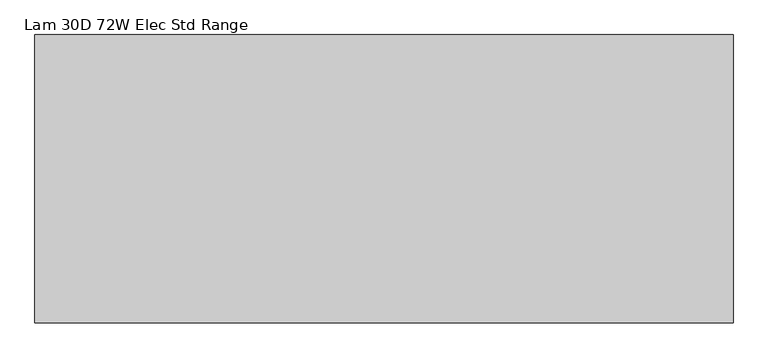
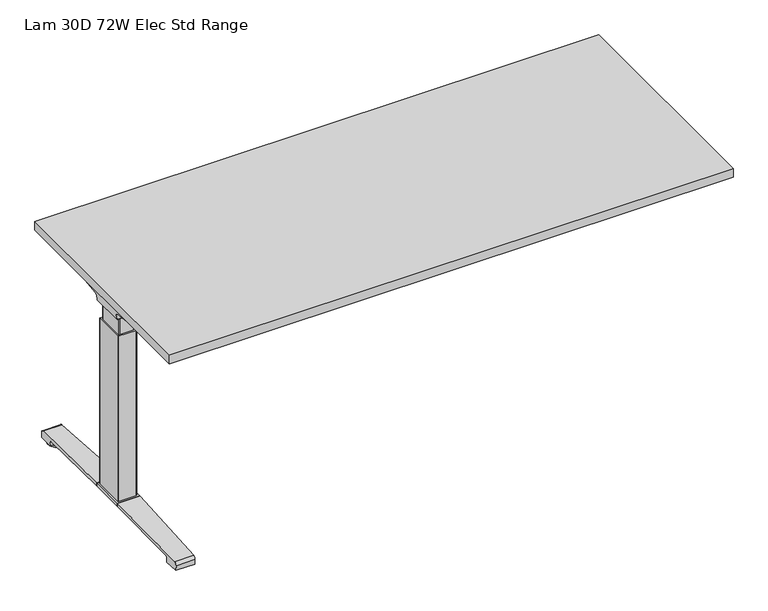
"""IFC4 building model written with IfcOpenShell, lengths in millimetres: furniture geometry, Lam 30D 72W Elec Std Range."""

from ifc_helpers import new_model, si_unit, point, frame, frame_2d, origin, place, context, project, spatial, polyline, circle_curve, ellipse_curve, trimmed, segment, composite_curve, outline, extrude, source, transform, mapped, element, save
from ifc_brep_helpers import plane_surface, cylinder_surface, revolved_surface, advanced_brep


def lam_30d_72w_elec_std_range_1f9813ab(model_context):
    return source(origin(), model_context, "Body", "SolidModel", [
        extrude(outline(polyline([(887.476, 366.776), (887.476, -366.776), (-887.476, -366.776), (-887.476, 366.776), (887.476, 366.776)])), frame((0.0, 0.0, 707.009), z_axis=(0.0, 0.0, 1.0), x_axis=(1.0, 0.0, 0.0)), (0.0, 0.0, 1.0), 29.591),
        advanced_brep(
        [(-871.1406297, 53.5092702, 658.5915733), (-705.4122138, 53.5092702, 658.5915733), (-719.7924181, 51.2808169, 655.9442785), (-868.6518591, 51.2808169, 655.9442785), (-871.3625278, 53.518256, 658.8276054), (-873.7619089, 54.1622827, 675.7443054), (-690.9773962, 54.1622827, 675.7443054), (-690.9773962, 53.8142965, 666.6037253), (-693.8075093, 53.7331058, 664.4710821), (-693.9501644, 53.6554397, 662.4310191), (-874.6185362, 59.6293181, 681.7839076), (-690.9773962, 59.6293181, 681.7839076), (-877.1393767, 174.2005225, 699.5569507), (-812.9243442, 174.2005225, 699.5569507), (-690.9773962, 93.3958, 687.0219877), (-877.2128152, 177.9765275, 700.0747243), (-818.6229255, 177.9765275, 700.0747243), (-877.8871296, 179.4867839, 704.8289399), (-876.1021288, 176.9098888, 707.009), (-817.0132011, 176.9098888, 707.009), (-877.8871296, -179.4867839, 704.8289399), (-877.2128152, -177.9765275, 700.0747243), (-818.6229255, -177.9765275, 700.0747243), (-817.0132011, -176.9098888, 707.009), (-876.1021288, -176.9098888, 707.009), (-877.1393767, -174.2005225, 699.5569507), (-812.9243442, -174.2005225, 699.5569507), (-874.6185362, -59.6293181, 681.7839076), (-690.9773962, -59.6293181, 681.7839076), (-690.9773962, -93.3958, 687.0219877), (-873.7619089, -54.1622827, 675.7443054), (-690.9773962, -54.1622827, 675.7443054), (-871.3625278, -53.518256, 658.8276054), (-871.1406297, -53.5092702, 658.5915733), (-705.4122138, -53.5092702, 658.5915733), (-693.9501644, -53.6554397, 662.4310191), (-693.8075093, -53.7331058, 664.4710821), (-690.9773962, -53.8142965, 666.6037253), (-868.6518591, -51.2808169, 655.9442785), (-719.7924181, -51.2808169, 655.9442785), (-690.9773962, -93.3958, 707.009), (-690.9773962, 93.3958, 707.009)],
        [
            (0, 1),
            (1, 2, ellipse_curve(frame((-729.6936465, 130.5470009, 750.1086722), z_axis=(0.0, 0.7650318638532662, -0.6439924279750482), x_axis=(0.0, 0.6439924279750482, 0.7650318638532662)), 123.7641411, 94.6835116)),
            (2, 3),
            (3, 0),
            (0, 4),
            (4, 5),
            (5, 6),
            (6, 7),
            (7, 8),
            (8, 9),
            (9, 1, ellipse_curve(frame((-729.6936465, 56.9933686, 750.1086722), z_axis=(0.0, 0.999276106683639, -0.03804290487316255), x_axis=(0.0, 0.03804290487316397, 0.999276106683639)), 94.752102, 94.6835116)),
            (5, 10, ellipse_curve(frame((-873.7119691, 60.6208409, 675.3922075), z_axis=(-0.990090671484964, 0.0, -0.14042956326377007), x_axis=(-0.1404295632637696, 0.0, 0.990090671484964)), 6.5328852, 6.4681487)),
            (10, 11),
            (11, 6, circle_curve(frame((-690.9773962, 60.6208409, 675.3922075), z_axis=(1.0, 0.0, 0.0), x_axis=(0.0, 1.0, 0.0)), 6.4681487)),
            (10, 12),
            (12, 13),
            (13, 14),
            (14, 11),
            (12, 15),
            (15, 16),
            (16, 13),
            (15, 17, ellipse_curve(frame((-877.6730772, 175.9994111, 703.3197755), z_axis=(0.990090671484964, 0.0, 0.14042956326377007), x_axis=(0.1404295632637696, 0.0, -0.990090671484964)), 3.8379455, 3.7999141)),
            (17, 18, ellipse_curve(frame((-879.122811, 175.9994111, 703.3197755), z_axis=(0.7737284588433301, 0.0, -0.6335173809580328), x_axis=(0.6335173809580328, 0.0, 0.77372845884333)), 4.9111727, 3.7999141)),
            (18, 19),
            (19, 16, ellipse_curve(frame((-815.639148, 175.9994111, 703.3197755), z_axis=(-0.5523637579768195, -0.8336031902972334, 0.0), x_axis=(0.8336031902972335, -0.5523637579768195, 0.0)), 6.8793689, 3.7999141)),
            (20, 21, ellipse_curve(frame((-877.6730772, -175.9994111, 703.3197755), z_axis=(0.990090671484964, 0.0, 0.14042956326377007), x_axis=(0.1404295632637696, 0.0, -0.990090671484964)), 3.8379455, 3.7999141)),
            (21, 22),
            (22, 23, ellipse_curve(frame((-815.639148, -175.9994111, 703.3197755), z_axis=(-0.5523637579750433, 0.8336031902984103, 0.0), x_axis=(0.8336031902984103, 0.5523637579750433, 0.0)), 6.8793689, 3.7999141)),
            (23, 24),
            (24, 20, ellipse_curve(frame((-879.122811, -175.9994111, 703.3197755), z_axis=(0.7737284588433301, 0.0, -0.6335173809580328), x_axis=(0.6335173809580328, 0.0, 0.77372845884333)), 4.9111727, 3.7999141)),
            (21, 25),
            (25, 26),
            (26, 22),
            (27, 28),
            (28, 29),
            (29, 26),
            (25, 27),
            (27, 30, ellipse_curve(frame((-873.7119691, -60.6208409, 675.3922075), z_axis=(-0.990090671484964, 0.0, -0.14042956326377007), x_axis=(-0.1404295632637696, 0.0, 0.990090671484964)), 6.5328852, 6.4681487)),
            (30, 31),
            (31, 28, circle_curve(frame((-690.9773962, -60.6208409, 675.3922075), z_axis=(1.0, 0.0, 0.0), x_axis=(0.0, 1.0, 0.0)), 6.4681487)),
            (30, 32),
            (32, 33),
            (33, 34),
            (34, 35, ellipse_curve(frame((-729.6936465, -56.9933686, 750.1086722), z_axis=(0.0, -0.9992761066836363, -0.03804290487323539), x_axis=(0.0, 0.03804290487323121, -0.9992761066836364)), 94.752102, 94.6835116)),
            (35, 36),
            (36, 37),
            (37, 31),
            (33, 38),
            (38, 39),
            (39, 34, ellipse_curve(frame((-729.6936465, -130.5470009, 750.1086722), z_axis=(0.0, -0.7650318638534733, -0.643992427974802), x_axis=(0.0, 0.643992427974802, -0.7650318638534732)), 123.7641411, 94.6835116)),
            (4, 32),
            (20, 17),
            (24, 18),
            (23, 40),
            (40, 41),
            (41, 19),
            (37, 7),
            (14, 41),
            (40, 29),
            (36, 8),
            (35, 9),
            (39, 2),
            (38, 3),
        ],
        [
            plane_surface(frame((-894.1773962, 51.2808169, 655.9442785), z_axis=(0.0, 0.7650318638532662, -0.6439924279750482), x_axis=(1.0, 0.0, 0.0))),
            plane_surface(frame((-894.1773962, 53.5092702, 658.5915733), z_axis=(0.0, 0.999276106683639, -0.03804290487316255), x_axis=(1.0, 0.0, 0.0))),
            revolved_surface(polyline([(-874.6293793154883, 67.08898959999999, 675.3922075), (-690.9773962, 67.08898959999999, 675.3922075)]), (-894.1773962, 60.6208409, 675.3922075), (-1.0, 0.0, 0.0)),
            plane_surface(frame((-894.1773962, 59.6293181, 681.7839076), z_axis=(0.0, 0.153293135871396, -0.9881807600306302), x_axis=(1.0, 0.0, 0.0))),
            plane_surface(frame((-894.1773962, 174.2005225, 699.5569507), z_axis=(0.0, 0.13585085469026903, -0.9907292996979162), x_axis=(1.0, 0.0, 0.0))),
            cylinder_surface(frame((-894.1773962, 175.9994111, 703.3197755), z_axis=(1.0, 0.0, 0.0), x_axis=(0.0, 1.0, 0.0)), 3.7999141),
            cylinder_surface(frame((-894.1773962, -175.9994111, 703.3197755), z_axis=(1.0, 0.0, 0.0), x_axis=(0.0, 1.0, 0.0)), 3.7999141),
            plane_surface(frame((-894.1773962, -177.9765275, 700.0747243), z_axis=(0.0, -0.13585085468791205, -0.9907292996982394), x_axis=(1.0, 0.0, 0.0))),
            plane_surface(frame((-894.1773962, -174.2005225, 699.5569507), z_axis=(0.0, -0.1532931358714066, -0.9881807600306285), x_axis=(1.0, 0.0, 0.0))),
            revolved_surface(polyline([(-874.6293793154883, -54.1526922, 675.3922075), (-690.9773962, -54.1526922, 675.3922075)]), (-894.1773962, -60.6208409, 675.3922075), (-1.0, 0.0, 0.0)),
            plane_surface(frame((-894.1773962, -54.1622827, 675.7443054), z_axis=(0.0, -0.9992761066836363, -0.03804290487323539), x_axis=(1.0, 0.0, 0.0))),
            plane_surface(frame((-894.1773962, -53.5092702, 658.5915733), z_axis=(0.0, -0.7650318638534733, -0.643992427974802), x_axis=(1.0, 0.0, 0.0))),
            plane_surface(frame((-871.3625278, 190.5, 658.8276054), z_axis=(-0.990090671484964, 0.0, -0.14042956326377007), x_axis=(0.0, -1.0, 0.0))),
            plane_surface(frame((-877.8871296, 190.5, 704.8289399), z_axis=(-0.7737284588433301, 0.0, 0.6335173809580328), x_axis=(0.0, -1.0, 0.0))),
            plane_surface(frame((-876.1021288, 190.5, 707.009), z_axis=(0.0, 0.0, 1.0), x_axis=(0.0, -1.0, 0.0))),
            plane_surface(frame((-690.9773962, 190.5, 707.009), z_axis=(1.0, 0.0, 0.0), x_axis=(0.0, -1.0, 0.0))),
            plane_surface(frame((-690.9773962, 190.5, 666.6037253), z_axis=(0.6018150231516275, 0.0, -0.7986355100476099), x_axis=(0.0, -1.0, 0.0))),
            plane_surface(frame((-693.8075093, 190.5, 664.4710821), z_axis=(0.9975640502600351, 0.0, -0.06975647374110874), x_axis=(0.0, -1.0, 0.0))),
            cylinder_surface(frame((-729.6936465, 190.5, 750.1086722), z_axis=(0.0, 1.0, 0.0), x_axis=(1.0, 0.0, 0.0)), 94.6835116),
            plane_surface(frame((-719.7924181, 190.5, 655.9442785), z_axis=(0.0, 0.0, -1.0), x_axis=(0.0, -1.0, 0.0))),
            plane_surface(frame((-868.6518591, 190.5, 655.9442785), z_axis=(-0.728584606419653, 0.0, -0.6849558170337118), x_axis=(0.0, -1.0, 0.0))),
            plane_surface(frame((-837.5228017, 190.5, 707.009), z_axis=(0.5523637579768195, 0.8336031902972334, 0.0), x_axis=(0.0, 0.0, -1.0))),
            plane_surface(frame((-690.9773962, -93.3958, 707.009), z_axis=(0.5523637579750433, -0.8336031902984103, 0.0), x_axis=(0.0, 0.0, -1.0))),
        ],
        [
            (0, [[1, 2, 3, 4]]),
            (1, [[-1, 5, 6, 7, 8, 9, 10, 11]]),
            (2, [[-7, 12, 13, 14]]),
            (3, [[-13, 15, 16, 17, 18]]),
            (4, [[19, 20, 21, -16]]),
            (5, [[22, 23, 24, 25, -20]]),
            (6, [[26, 27, 28, 29, 30]]),
            (7, [[31, 32, 33, -27]]),
            (8, [[34, 35, 36, -32, 37]]),
            (9, [[-34, 38, 39, 40]]),
            (10, [[-39, 41, 42, 43, 44, 45, 46, 47]]),
            (11, [[-43, 48, 49, 50]]),
            (12, [[51, -41, -38, -37, -31, -26, 52, -22, -19, -15, -12, -6]]),
            (13, [[-52, -30, 53, -23]]),
            (14, [[-53, -29, 54, 55, 56, -24]]),
            (15, [[57, -8, -14, -18, 58, -55, 59, -35, -40, -47]]),
            (16, [[-57, -46, 60, -9]]),
            (17, [[-60, -45, 61, -10]]),
            (18, [[-61, -44, -50, 62, -2, -11]]),
            (19, [[-62, -49, 63, -3]]),
            (20, [[-51, -5, -4, -63, -48, -42]]),
            (21, [[-56, -58, -17, -21, -25]]),
            (22, [[-54, -28, -33, -36, -59]]),
        ],
    ),
        advanced_brep(
        [(705.4122138, 53.5092702, 658.5915733), (871.1406297, 53.5092702, 658.5915733), (868.6518591, 51.2808169, 655.9442785), (719.7924181, 51.2808169, 655.9442785), (693.9501644, 53.6554397, 662.4310191), (693.8075093, 53.7331058, 664.4710821), (691.1619573, 53.8090018, 666.4646485), (691.1619573, 54.1622827, 675.7443054), (873.7619089, 54.1622827, 675.7443054), (871.3625278, 53.518256, 658.8276054), (691.1619573, 59.6293181, 681.7839076), (874.6185362, 59.6293181, 681.7839076), (691.1619573, 93.3889953, 687.0209321), (812.9570453, 174.2005225, 699.5569507), (877.1393767, 174.2005225, 699.5569507), (877.2128152, 177.9765275, 700.0747243), (818.6480509, 177.9765275, 700.0747243), (877.8871296, 179.4867839, 704.8289399), (817.0404665, 176.9098888, 707.009), (876.1021288, 176.9098888, 707.009), (877.2128152, -177.9765275, 700.0747243), (877.8871296, -179.4867839, 704.8289399), (876.1021288, -176.9098888, 707.009), (817.0404665, -176.9098888, 707.009), (818.6480509, -177.9765275, 700.0747243), (877.1393767, -174.2005225, 699.5569507), (812.9570453, -174.2005225, 699.5569507), (691.1619573, -59.6293181, 681.7839076), (874.6185362, -59.6293181, 681.7839076), (691.1619573, -93.3889953, 687.0209321), (691.1619573, -54.1622827, 675.7443054), (873.7619089, -54.1622827, 675.7443054), (691.1619573, -53.8090018, 666.4646485), (693.8075093, -53.7331058, 664.4710821), (693.9501644, -53.6554397, 662.4310191), (705.4122138, -53.5092702, 658.5915733), (871.1406297, -53.5092702, 658.5915733), (871.3625278, -53.518256, 658.8276054), (719.7924181, -51.2808169, 655.9442785), (868.6518591, -51.2808169, 655.9442785), (691.1619573, 93.3889953, 707.009), (691.1619573, -93.3889953, 707.009)],
        [
            (0, 1),
            (1, 2),
            (2, 3),
            (3, 0, ellipse_curve(frame((729.6936465, 130.5470009, 750.1086722), z_axis=(0.0, 0.7650318638532565, -0.6439924279750596), x_axis=(0.0, -0.6439924279750596, -0.7650318638532564)), 123.7641411, 94.6835116)),
            (0, 4, ellipse_curve(frame((729.6936465, 56.9933686, 750.1086722), z_axis=(0.0, 0.9992761066836392, -0.03804290487315862), x_axis=(0.0, -0.03804290487315623, -0.9992761066836393)), 94.752102, 94.6835116)),
            (4, 5),
            (5, 6),
            (6, 7),
            (7, 8),
            (8, 9),
            (9, 1),
            (7, 10, circle_curve(frame((691.1619573, 60.6208409, 675.3922075), z_axis=(-1.0, 0.0, 0.0), x_axis=(0.0, 1.0, 0.0)), 6.4681487)),
            (10, 11),
            (11, 8, ellipse_curve(frame((873.7119691, 60.6208409, 675.3922075), z_axis=(0.9900906714849659, 0.0, -0.1404295632637567), x_axis=(-0.1404295632637562, 0.0, -0.9900906714849659)), 6.5328852, 6.4681487)),
            (10, 12),
            (12, 13),
            (13, 14),
            (14, 11),
            (15, 14),
            (13, 16),
            (16, 15),
            (17, 15, ellipse_curve(frame((877.6730772, 175.9994111, 703.3197755), z_axis=(-0.9900906714849659, 0.0, 0.1404295632637567), x_axis=(0.1404295632637562, 0.0, 0.9900906714849659)), 3.8379455, 3.7999141)),
            (16, 18, ellipse_curve(frame((815.66824, 175.9994111, 703.3197755), z_axis=(0.5528743936295495, -0.8332646067539158, 0.0), x_axis=(0.8332646067539158, 0.5528743936295495, 0.0)), 6.8730151, 3.7999141)),
            (18, 19),
            (19, 17, ellipse_curve(frame((879.122811, 175.9994111, 703.3197755), z_axis=(-0.7737284588399557, 0.0, -0.633517380962154), x_axis=(0.6335173809621538, 0.0, -0.7737284588399556)), 4.9111727, 3.7999141)),
            (20, 21, ellipse_curve(frame((877.6730772, -175.9994111, 703.3197755), z_axis=(-0.9900906714849659, 0.0, 0.1404295632637567), x_axis=(0.1404295632637562, 0.0, 0.9900906714849659)), 3.8379455, 3.7999141)),
            (21, 22, ellipse_curve(frame((879.122811, -175.9994111, 703.3197755), z_axis=(-0.7737284588399557, 0.0, -0.633517380962154), x_axis=(0.6335173809621538, 0.0, -0.7737284588399556)), 4.9111727, 3.7999141)),
            (22, 23),
            (23, 24, ellipse_curve(frame((815.66824, -175.9994111, 703.3197755), z_axis=(0.5528743936295355, 0.8332646067539252, 0.0), x_axis=(0.8332646067539251, -0.5528743936295356, 0.0)), 6.8730151, 3.7999141)),
            (24, 20),
            (25, 20),
            (24, 26),
            (26, 25),
            (27, 28),
            (28, 25),
            (26, 29),
            (29, 27),
            (27, 30, circle_curve(frame((691.1619573, -60.6208409, 675.3922075), z_axis=(-1.0, 0.0, 0.0), x_axis=(0.0, 1.0, 0.0)), 6.4681487)),
            (30, 31),
            (31, 28, ellipse_curve(frame((873.7119691, -60.6208409, 675.3922075), z_axis=(0.9900906714849659, 0.0, -0.1404295632637567), x_axis=(-0.1404295632637562, 0.0, -0.9900906714849659)), 6.5328852, 6.4681487)),
            (30, 32),
            (32, 33),
            (33, 34),
            (34, 35, ellipse_curve(frame((729.6936465, -56.9933686, 750.1086722), z_axis=(0.0, -0.9992761066836363, -0.03804290487323539), x_axis=(0.0, -0.03804290487323121, 0.9992761066836364)), 94.752102, 94.6835116)),
            (35, 36),
            (36, 37),
            (37, 31),
            (35, 38, ellipse_curve(frame((729.6936465, -130.5470009, 750.1086722), z_axis=(0.0, -0.7650318638534733, -0.643992427974802), x_axis=(0.0, -0.643992427974802, 0.7650318638534732)), 123.7641411, 94.6835116)),
            (38, 39),
            (39, 36),
            (37, 9),
            (17, 21),
            (19, 22),
            (18, 40),
            (40, 41),
            (41, 23),
            (6, 32),
            (29, 41),
            (40, 12),
            (5, 33),
            (4, 34),
            (3, 38),
            (2, 39),
        ],
        [
            plane_surface(frame((691.1619573, 51.2808169, 655.9442785), z_axis=(0.0, 0.7650318638532565, -0.6439924279750596), x_axis=(1.0, 0.0, 0.0))),
            plane_surface(frame((691.1619573, 53.5092702, 658.5915733), z_axis=(0.0, 0.9992761066836392, -0.03804290487315862), x_axis=(1.0, 0.0, 0.0))),
            revolved_surface(polyline([(691.1619573, 67.08898959999999, 675.3922075), (874.6293793154882, 67.08898959999999, 675.3922075)]), (691.1619573, 60.6208409, 675.3922075), (-1.0, 0.0, 0.0)),
            plane_surface(frame((691.1619573, 59.6293181, 681.7839076), z_axis=(0.0, 0.15329313587140309, -0.988180760030629), x_axis=(1.0, 0.0, 0.0))),
            plane_surface(frame((691.1619573, 174.2005225, 699.5569507), z_axis=(0.0, 0.1358508546900816, -0.9907292996979419), x_axis=(1.0, 0.0, 0.0))),
            cylinder_surface(frame((691.1619573, 175.9994111, 703.3197755), z_axis=(1.0, 0.0, 0.0), x_axis=(0.0, 1.0, 0.0)), 3.7999141),
            cylinder_surface(frame((691.1619573, -175.9994111, 703.3197755), z_axis=(1.0, 0.0, 0.0), x_axis=(0.0, 1.0, 0.0)), 3.7999141),
            plane_surface(frame((691.1619573, -177.9765275, 700.0747243), z_axis=(0.0, -0.1358508546877776, -0.9907292996982578), x_axis=(1.0, 0.0, 0.0))),
            plane_surface(frame((691.1619573, -174.2005225, 699.5569507), z_axis=(0.0, -0.15329313587141113, -0.9881807600306277), x_axis=(1.0, 0.0, 0.0))),
            revolved_surface(polyline([(691.1619573, -54.1526922, 675.3922075), (874.6293793154882, -54.1526922, 675.3922075)]), (691.1619573, -60.6208409, 675.3922075), (-1.0, 0.0, 0.0)),
            plane_surface(frame((691.1619573, -54.1622827, 675.7443054), z_axis=(0.0, -0.9992761066836363, -0.03804290487323539), x_axis=(1.0, 0.0, 0.0))),
            plane_surface(frame((691.1619573, -53.5092702, 658.5915733), z_axis=(0.0, -0.7650318638534733, -0.643992427974802), x_axis=(1.0, 0.0, 0.0))),
            plane_surface(frame((871.3625278, -190.5, 658.8276054), z_axis=(0.9900906714849659, 0.0, -0.1404295632637567), x_axis=(0.0, 1.0, 0.0))),
            plane_surface(frame((877.8871296, -190.5, 704.8289399), z_axis=(0.7737284588399557, 0.0, 0.633517380962154), x_axis=(0.0, 1.0, 0.0))),
            plane_surface(frame((876.1021288, -190.5, 707.009), z_axis=(0.0, 0.0, 1.0), x_axis=(0.0, 1.0, 0.0))),
            plane_surface(frame((691.1619573, -190.5, 707.009), z_axis=(-1.0, 0.0, 0.0), x_axis=(0.0, 1.0, 0.0))),
            plane_surface(frame((691.1619573, -190.5, 666.4646485), z_axis=(-0.6018150231540924, 0.0, -0.7986355100457526), x_axis=(0.0, 1.0, 0.0))),
            plane_surface(frame((693.8075093, -190.5, 664.4710821), z_axis=(-0.9975640502598242, 0.0, -0.06975647374412697), x_axis=(0.0, 1.0, 0.0))),
            cylinder_surface(frame((729.6936465, -190.5, 750.1086722), z_axis=(0.0, -1.0, 0.0), x_axis=(-1.0, 0.0, 0.0)), 94.6835116),
            plane_surface(frame((719.7924181, -190.5, 655.9442785), z_axis=(0.0, 0.0, -1.0), x_axis=(0.0, 1.0, 0.0))),
            plane_surface(frame((868.6518591, -190.5, 655.9442785), z_axis=(0.7285846064222525, 0.0, -0.6849558170309465), x_axis=(0.0, 1.0, 0.0))),
            plane_surface(frame((691.1619573, 93.3889953, 707.009), z_axis=(-0.5528743936295495, 0.8332646067539158, 0.0), x_axis=(0.0, 0.0, -1.0))),
            plane_surface(frame((837.5228017, -190.5, 707.009), z_axis=(-0.5528743936295355, -0.8332646067539252, 0.0), x_axis=(0.0, 0.0, -1.0))),
        ],
        [
            (0, [[1, 2, 3, 4]]),
            (1, [[-1, 5, 6, 7, 8, 9, 10, 11]]),
            (2, [[-9, 12, 13, 14]]),
            (3, [[-13, 15, 16, 17, 18]]),
            (4, [[19, -17, 20, 21]]),
            (5, [[22, -21, 23, 24, 25]]),
            (6, [[26, 27, 28, 29, 30]]),
            (7, [[31, -30, 32, 33]]),
            (8, [[34, 35, -33, 36, 37]]),
            (9, [[-34, 38, 39, 40]]),
            (10, [[-39, 41, 42, 43, 44, 45, 46, 47]]),
            (11, [[-45, 48, 49, 50]]),
            (12, [[51, -10, -14, -18, -19, -22, 52, -26, -31, -35, -40, -47]]),
            (13, [[-52, -25, 53, -27]]),
            (14, [[-53, -24, 54, 55, 56, -28]]),
            (15, [[57, -41, -38, -37, 58, -55, 59, -15, -12, -8]]),
            (16, [[-57, -7, 60, -42]]),
            (17, [[-60, -6, 61, -43]]),
            (18, [[-61, -5, -4, 62, -48, -44]]),
            (19, [[-62, -3, 63, -49]]),
            (20, [[-51, -46, -50, -63, -2, -11]]),
            (21, [[-54, -23, -20, -16, -59]]),
            (22, [[-56, -58, -36, -32, -29]]),
        ],
    ),
        advanced_brep(
        [(-690.9773962, 78.6831697, 701.7794894), (-690.9773962, 80.4475242, 704.0075511), (-690.9773962, 91.4281225, 704.0075511), (-690.9773962, 92.1582919, 701.4093085), (-690.9773962, 70.7319108, 671.8462148), (-690.9773962, 53.3310914, 663.2452863), (-690.9773962, -53.4567844, 663.2452863), (-690.9773962, -71.0845783, 672.2997482), (-690.9773962, -92.4192862, 702.0706054), (-690.9773962, -90.7807234, 704.1266572), (-690.9773962, -80.5655902, 704.1266572), (-690.9773962, -78.6946152, 701.7794894), (-690.9773962, -79.4358363, 701.2423822), (-690.9773962, -81.0060637, 703.2122572), (-690.9773962, -90.6846762, 703.2122572), (-690.9773962, -91.4905649, 702.3444366), (-690.9773962, -70.3413256, 672.8323858), (-690.9773962, -53.4567844, 664.1598536), (-690.9773962, 53.3310914, 664.1596863), (-690.9773962, 69.99844, 672.3923713), (-690.9773962, 91.3521627, 701.8552144), (-690.9773962, 91.0948942, 703.0931511), (-690.9773962, 80.889809, 703.0931511), (-690.9773962, 79.4242719, 701.2424419), (691.1619573, 78.6831697, 701.7794894), (691.1619573, 79.4242719, 701.2424419), (691.1619573, 80.889809, 703.0931511), (691.1619573, 91.0948942, 703.0931511), (691.1619573, 91.3521627, 701.8552144), (691.1619573, 69.99844, 672.3923713), (691.1619573, 53.3310914, 664.1596863), (691.1619573, -53.4567845, 664.1596863), (691.1619573, -70.3413256, 672.8323858), (691.1619573, -91.4905649, 702.3444366), (691.1619573, -90.6846762, 703.2122572), (691.1619573, -81.0060637, 703.2122572), (691.1619573, -79.4358363, 701.2423822), (691.1619573, -78.6946152, 701.7794894), (691.1619573, -80.5655902, 704.1266572), (691.1619573, -90.7807234, 704.1266572), (691.1619573, -92.4192862, 702.0706054), (691.1619573, -71.0845783, 672.2997482), (691.1619573, -53.4567844, 663.2454536), (691.1619573, 53.3310914, 663.2452863), (691.1619573, 70.7319108, 671.8462148), (691.1619573, 92.1582919, 701.4093085), (691.1619573, 91.4281225, 704.0075511), (691.1619573, 80.4475242, 704.0075511)],
        [
            (0, 1),
            (1, 2),
            (2, 3, circle_curve(frame((-690.9773962, 90.2105576, 702.2636667), z_axis=(-1.0, 0.0, 0.0), x_axis=(0.0, 1.0, 0.0)), 2.1268749)),
            (3, 4),
            (4, 5, circle_curve(frame((-690.9773962, 53.3310914, 685.1478336), z_axis=(-1.0, 0.0, 0.0), x_axis=(0.0, 1.0, 0.0)), 21.9025472)),
            (5, 6),
            (6, 7, circle_curve(frame((-690.9773962, -53.4567844, 684.932365), z_axis=(-1.0, 0.0, 0.0), x_axis=(0.0, 1.0, 0.0)), 21.6869114)),
            (7, 8),
            (8, 9, circle_curve(frame((-690.9773962, -90.4189365, 702.1573833), z_axis=(-1.0, 0.0, 0.0), x_axis=(0.0, 1.0, 0.0)), 2.0022311)),
            (9, 10),
            (10, 11),
            (11, 12),
            (12, 13),
            (13, 14),
            (14, 15, circle_curve(frame((-690.9773962, -90.4189365, 702.1573833), z_axis=(1.0, 0.0, 0.0), x_axis=(0.0, 1.0, 0.0)), 1.0878311)),
            (15, 16),
            (16, 17, circle_curve(frame((-690.9773962, -53.4567844, 684.932365), z_axis=(1.0, 0.0, 0.0), x_axis=(0.0, 1.0, 0.0)), 20.7725114)),
            (17, 18),
            (18, 19, circle_curve(frame((-690.9773962, 53.3310914, 685.1478336), z_axis=(1.0, 0.0, 0.0), x_axis=(0.0, 1.0, 0.0)), 20.9881473)),
            (19, 20),
            (20, 21, circle_curve(frame((-690.9773962, 90.2105576, 702.2636667), z_axis=(1.0, 0.0, 0.0), x_axis=(0.0, 1.0, 0.0)), 1.2124749)),
            (21, 22),
            (22, 23),
            (23, 0),
            (24, 25),
            (25, 26),
            (26, 27),
            (27, 28, circle_curve(frame((691.1619573, 90.2105576, 702.2636667), z_axis=(-1.0, 0.0, 0.0), x_axis=(0.0, 1.0, 0.0)), 1.2124749)),
            (28, 29),
            (29, 30, circle_curve(frame((691.1619573, 53.3310914, 685.1478336), z_axis=(-1.0, 0.0, 0.0), x_axis=(0.0, 1.0, 0.0)), 20.9881473)),
            (30, 31),
            (31, 32, circle_curve(frame((691.1619573, -53.4567844, 684.932365), z_axis=(-1.0, 0.0, 0.0), x_axis=(0.0, 1.0, 0.0)), 20.7725114)),
            (32, 33),
            (33, 34, circle_curve(frame((691.1619573, -90.4189365, 702.1573833), z_axis=(-1.0, 0.0, 0.0), x_axis=(0.0, 1.0, 0.0)), 1.0878311)),
            (34, 35),
            (35, 36),
            (36, 37),
            (37, 38),
            (38, 39),
            (39, 40, circle_curve(frame((691.1619573, -90.4189365, 702.1573833), z_axis=(1.0, 0.0, 0.0), x_axis=(0.0, 1.0, 0.0)), 2.0022311)),
            (40, 41),
            (41, 42, circle_curve(frame((691.1619573, -53.4567844, 684.932365), z_axis=(1.0, 0.0, 0.0), x_axis=(0.0, 1.0, 0.0)), 21.6869114)),
            (42, 43),
            (43, 44, circle_curve(frame((691.1619573, 53.3310914, 685.1478336), z_axis=(1.0, 0.0, 0.0), x_axis=(0.0, 1.0, 0.0)), 21.9025472)),
            (44, 45),
            (45, 46, circle_curve(frame((691.1619573, 90.2105576, 702.2636667), z_axis=(1.0, 0.0, 0.0), x_axis=(0.0, 1.0, 0.0)), 2.1268749)),
            (46, 47),
            (47, 24),
            (0, 24),
            (47, 1),
            (46, 2),
            (45, 3),
            (44, 4),
            (43, 5),
            (42, 6),
            (41, 7),
            (40, 8),
            (39, 9),
            (38, 10),
            (37, 11),
            (36, 12),
            (35, 13),
            (34, 14),
            (33, 15),
            (32, 16),
            (31, 17),
            (30, 18),
            (29, 19),
            (28, 20),
            (27, 21),
            (26, 22),
            (25, 23),
        ],
        [
            plane_surface(frame((-690.9773962, 0.0, 707.009), z_axis=(-1.0, 0.0, 0.0), x_axis=(0.0, 0.0, 1.0))),
            plane_surface(frame((691.1619573, 0.0, 707.009), z_axis=(1.0, 0.0, 0.0), x_axis=(0.0, 0.0, 1.0))),
            plane_surface(frame((-690.9773962, 78.6831697, 701.7794894), z_axis=(0.0, -0.7839649337165058, 0.6208051084703434), x_axis=(1.0, 0.0, 0.0))),
            plane_surface(frame((-690.9773962, 80.4475242, 704.0075511), z_axis=(0.0, 0.0, 1.0), x_axis=(1.0, 0.0, 0.0))),
            cylinder_surface(frame((-690.9773962, 90.2105576, 702.2636667), z_axis=(-1.0, 0.0, 0.0), x_axis=(0.0, 1.0, 0.0)), 2.1268749),
            plane_surface(frame((-690.9773962, 92.1582919, 701.4093085), z_axis=(0.0, 0.8096997445281038, -0.586844377762217), x_axis=(1.0, 0.0, 0.0))),
            cylinder_surface(frame((-690.9773962, 53.3310914, 685.1478336), z_axis=(-1.0, 0.0, 0.0), x_axis=(0.0, 1.0, 0.0)), 21.9025472),
            plane_surface(frame((-690.9773962, 53.3310914, 663.2452863), z_axis=(0.0, 0.0, -1.0), x_axis=(1.0, 0.0, 0.0))),
            cylinder_surface(frame((-690.9773962, -53.4567844, 684.932365), z_axis=(-1.0, 0.0, 0.0), x_axis=(0.0, 1.0, 0.0)), 21.6869114),
            plane_surface(frame((-690.9773962, -71.0845783, 672.2997482), z_axis=(0.0, -0.8128309997561537, -0.5824995844079305), x_axis=(1.0, 0.0, 0.0))),
            cylinder_surface(frame((-690.9773962, -90.4189365, 702.1573833), z_axis=(-1.0, 0.0, 0.0), x_axis=(0.0, 1.0, 0.0)), 2.0022311),
            plane_surface(frame((-690.9773962, -90.7807234, 704.1266572), z_axis=(0.0, 0.0, 1.0), x_axis=(1.0, 0.0, 0.0))),
            plane_surface(frame((-690.9773962, -80.5655902, 704.1266572), z_axis=(0.0, 0.7819660587237972, 0.6233210112004657), x_axis=(1.0, 0.0, 0.0))),
            plane_surface(frame((-690.9773962, -78.6946152, 701.7794894), z_axis=(0.0, 0.5867684336468096, -0.8097547809526473), x_axis=(1.0, 0.0, 0.0))),
            plane_surface(frame((-690.9773962, -79.4358363, 701.2423822), z_axis=(0.0, -0.7819660587239206, -0.6233210112003109), x_axis=(1.0, 0.0, 0.0))),
            plane_surface(frame((-690.9773962, -81.0060637, 703.2122572), z_axis=(0.0, 0.0, -1.0), x_axis=(1.0, 0.0, 0.0))),
            revolved_surface(polyline([(691.1619573000002, -89.3311054, 702.1573833), (-690.9773962, -89.3311054, 702.1573833)]), (-690.9773962, -90.4189365, 702.1573833), (1.0, 0.0, 0.0)),
            plane_surface(frame((-690.9773962, -91.4905649, 702.3444366), z_axis=(0.0, 0.8128309996716102, 0.582499584525904), x_axis=(1.0, 0.0, 0.0))),
            revolved_surface(polyline([(691.1619573000002, -32.684273, 684.932365), (-690.9773962, -32.684273, 684.932365)]), (-690.9773962, -53.4567844, 684.932365), (1.0, 0.0, 0.0)),
            plane_surface(frame((-690.9773962, -53.4567845, 664.1596863), z_axis=(0.0, 0.0, 1.0), x_axis=(1.0, 0.0, 0.0))),
            revolved_surface(polyline([(691.1619573000002, 74.3192387, 685.1478336), (-690.9773962, 74.3192387, 685.1478336)]), (-690.9773962, 53.3310914, 685.1478336), (1.0, 0.0, 0.0)),
            plane_surface(frame((-690.9773962, 69.99844, 672.3923713), z_axis=(0.0, -0.8096997449536107, 0.5868443771751228), x_axis=(1.0, 0.0, 0.0))),
            revolved_surface(polyline([(691.1619573000002, 91.4230325, 702.2636667), (-690.9773962, 91.4230325, 702.2636667)]), (-690.9773962, 90.2105576, 702.2636667), (1.0, 0.0, 0.0)),
            plane_surface(frame((-690.9773962, 91.0948942, 703.0931511), z_axis=(0.0, 0.0, -1.0), x_axis=(1.0, 0.0, 0.0))),
            plane_surface(frame((-690.9773962, 80.889809, 703.0931511), z_axis=(0.0, 0.7839649337164979, -0.6208051084703533), x_axis=(1.0, 0.0, 0.0))),
            plane_surface(frame((-690.9773962, 79.4242719, 701.2424419), z_axis=(0.0, -0.5867873637752554, -0.8097410633737715), x_axis=(1.0, 0.0, 0.0))),
        ],
        [
            (0, [[1, 2, 3, 4, 5, 6, 7, 8, 9, 10, 11, 12, 13, 14, 15, 16, 17, 18, 19, 20, 21, 22, 23, 24]]),
            (1, [[25, 26, 27, 28, 29, 30, 31, 32, 33, 34, 35, 36, 37, 38, 39, 40, 41, 42, 43, 44, 45, 46, 47, 48]]),
            (2, [[-1, 49, -48, 50]]),
            (3, [[-2, -50, -47, 51]]),
            (4, [[-3, -51, -46, 52]]),
            (5, [[-4, -52, -45, 53]]),
            (6, [[-5, -53, -44, 54]]),
            (7, [[-6, -54, -43, 55]]),
            (8, [[-7, -55, -42, 56]]),
            (9, [[-8, -56, -41, 57]]),
            (10, [[-9, -57, -40, 58]]),
            (11, [[-10, -58, -39, 59]]),
            (12, [[-11, -59, -38, 60]]),
            (13, [[-12, -60, -37, 61]]),
            (14, [[-13, -61, -36, 62]]),
            (15, [[-14, -62, -35, 63]]),
            (16, [[-15, -63, -34, 64]]),
            (17, [[-16, -64, -33, 65]]),
            (18, [[-17, -65, -32, 66]]),
            (19, [[-18, -66, -31, 67]]),
            (20, [[-19, -67, -30, 68]]),
            (21, [[-20, -68, -29, 69]]),
            (22, [[-21, -69, -28, 70]]),
            (23, [[-22, -70, -27, 71]]),
            (24, [[-23, -71, -26, 72]]),
            (25, [[-24, -72, -25, -49]]),
        ],
    ),
        extrude(outline(composite_curve([segment(polyline([(-85.2357617, 705.3739712), (-93.5160102, 705.3739712), (-94.0273408, 704.3565876), (-71.001647, 672.4872047)]), True, "CONTINUOUS"), segment(trimmed(circle_curve(frame_2d((-52.8576186, 688.0741393)), 23.9198306), [point((-71.001647, 672.4872047))], [point((-52.8576186, 664.1543087))], True, "CARTESIAN"), True, "CONTINUOUS"), segment(polyline([(-52.8576186, 664.1543087), (160.8304611, 664.1543087)]), True, "CONTINUOUS"), segment(trimmed(circle_curve(frame_2d((161.6245677, 686.2522042)), 22.1121593), [point((160.8304611, 664.1543087))], [point((179.5297793, 673.2771903))], True, "CARTESIAN"), True, "CONTINUOUS"), segment(polyline([(179.5297793, 673.2771903), (201.4820672, 703.5708273), (202.2225039, 703.0342821), (180.2702102, 672.740637)]), True, "CONTINUOUS"), segment(trimmed(circle_curve(frame_2d((161.6245677, 686.2522042)), 23.0265593), [point((180.2702102, 672.740637))], [point((160.814203, 663.2399087))], False, "CARTESIAN"), True, "CONTINUOUS"), segment(polyline([(160.814203, 663.2399087), (-52.8576186, 663.2399087)]), True, "CONTINUOUS"), segment(trimmed(circle_curve(frame_2d((-52.8576186, 688.0741393)), 24.8342306), [point((-52.8576186, 663.2399087))], [point((-71.7205231, 671.9208163))], False, "CARTESIAN"), True, "CONTINUOUS"), segment(polyline([(-71.7205231, 671.9208163), (-95.0936869, 704.2711252), (-94.0798316, 706.2883712), (-84.9968781, 706.2883712), (-85.2357617, 705.3739712)]), True, "CONTINUOUS")], self_intersect=False)), frame((-690.9773962, 0.0, 0.0), z_axis=(1.0, 0.0, 0.0), x_axis=(0.0, 1.0, 0.0)), (0.0, 0.0, 1.0), 1382.1393535),
        advanced_brep(
        [(814.7283088, 44.7482497, 655.9442785), (811.9624028, 42.3950111, 655.9442785), (811.9624028, -42.3786142, 655.9442785), (815.0159671, -44.728013, 655.9442785), (858.3299922, -44.7482497, 655.9442785), (861.3895972, -42.3785064, 655.9442785), (861.3895972, 42.3950956, 655.9442785), (858.6236912, 44.7482497, 655.9442785), (814.7283088, 44.7482497, 599.0990785), (858.6236912, 44.7482497, 599.0990785), (861.3895972, 42.3950956, 599.0990785), (861.3895972, -42.3785064, 599.0990785), (858.3360098, -44.7280077, 599.0990785), (815.0220078, -44.7482497, 599.0990785), (811.9624028, -42.3786142, 599.0990785), (811.9624028, 42.3950111, 599.0990785)],
        [
            (0, 1, circle_curve(frame((815.0300788, 41.5914719, 655.9442785), z_axis=(0.0, 0.0, 1.0), x_axis=(1.0, 0.0, 0.0)), 3.1711688)),
            (1, 2),
            (2, 3, circle_curve(frame((815.0159671, -41.568922, 655.9442785), z_axis=(0.0, 0.0, 1.0), x_axis=(1.0, 0.0, 0.0)), 3.1590911)),
            (3, 4),
            (4, 5, circle_curve(frame((858.3360098, -41.568922, 655.9442785), z_axis=(0.0, 0.0, 1.0), x_axis=(1.0, 0.0, 0.0)), 3.1590858)),
            (5, 6),
            (6, 7, circle_curve(frame((858.3219439, 41.5914698, 655.9442785), z_axis=(0.0, 0.0, 1.0), x_axis=(1.0, 0.0, 0.0)), 3.1711687)),
            (7, 0),
            (8, 9),
            (9, 10, circle_curve(frame((858.3219439, 41.5914698, 599.0990785), z_axis=(0.0, 0.0, -1.0), x_axis=(1.0, 0.0, 0.0)), 3.1711687)),
            (10, 11),
            (11, 12, circle_curve(frame((858.3360098, -41.568922, 599.0990785), z_axis=(0.0, 0.0, -1.0), x_axis=(1.0, 0.0, 0.0)), 3.1590858)),
            (12, 13),
            (13, 14, circle_curve(frame((815.0159671, -41.568922, 599.0990785), z_axis=(0.0, 0.0, -1.0), x_axis=(1.0, 0.0, 0.0)), 3.1590911)),
            (14, 15),
            (15, 8, circle_curve(frame((815.0300788, 41.5914719, 599.0990785), z_axis=(0.0, 0.0, -1.0), x_axis=(1.0, 0.0, 0.0)), 3.1711688)),
            (7, 9),
            (8, 0),
            (6, 10),
            (5, 11),
            (4, 12),
            (3, 13),
            (2, 14),
            (1, 15),
        ],
        [
            plane_surface(frame((818.2012476, 41.5914719, 655.9442785), z_axis=(0.0, 0.0, 1.0), x_axis=(0.0, 1.0, 0.0))),
            plane_surface(frame((818.2012476, 41.5914719, 599.0990785), z_axis=(0.0, 0.0, -1.0), x_axis=(0.0, -1.0, 0.0))),
            plane_surface(frame((858.6236912, 44.7482497, 655.9442785), z_axis=(0.0, 1.0, 0.0), x_axis=(0.0, 0.0, -1.0))),
            cylinder_surface(frame((858.3219439, 41.5914698, 599.0990785), z_axis=(0.0, 0.0, 1.0), x_axis=(1.0, 0.0, 0.0)), 3.1711687),
            plane_surface(frame((861.3895972, -42.3785064, 655.9442785), z_axis=(1.0, 0.0, 0.0), x_axis=(0.0, 0.0, -1.0))),
            cylinder_surface(frame((858.3360098, -41.568922, 599.0990785), z_axis=(0.0, 0.0, 1.0), x_axis=(1.0, 0.0, 0.0)), 3.1590858),
            plane_surface(frame((815.0220078, -44.7482497, 655.9442785), z_axis=(0.0, -1.0, 0.0), x_axis=(0.0, 0.0, -1.0))),
            cylinder_surface(frame((815.0159671, -41.568922, 599.0990785), z_axis=(0.0, 0.0, 1.0), x_axis=(1.0, 0.0, 0.0)), 3.1590911),
            plane_surface(frame((811.9624028, 42.3950111, 655.9442785), z_axis=(-1.0, 0.0, 0.0), x_axis=(0.0, 0.0, -1.0))),
            cylinder_surface(frame((815.0300788, 41.5914719, 599.0990785), z_axis=(0.0, 0.0, 1.0), x_axis=(1.0, 0.0, 0.0)), 3.1711688),
        ],
        [
            (0, [[1, 2, 3, 4, 5, 6, 7, 8]]),
            (1, [[9, 10, 11, 12, 13, 14, 15, 16]]),
            (2, [[-8, 17, -9, 18]]),
            (3, [[-7, 19, -10, -17]]),
            (4, [[-6, 20, -11, -19]]),
            (5, [[-5, 21, -12, -20]]),
            (6, [[-4, 22, -13, -21]]),
            (7, [[-3, 23, -14, -22]]),
            (8, [[-2, 24, -15, -23]]),
            (9, [[-1, -18, -16, -24]]),
        ],
    ),
        advanced_brep(
        [(-814.7283088, 44.7482497, 655.9442785), (-858.6236912, 44.7482497, 655.9442785), (-861.3806448, 42.4285241, 655.9442785), (-861.3806448, -42.4115492, 655.9442785), (-858.3360098, -44.7280077, 655.9442785), (-815.0220078, -44.7482497, 655.9442785), (-811.9713552, -42.4116525, 655.9442785), (-811.9713552, 42.4284433, 655.9442785), (-814.7283088, 44.7482497, 599.0990785), (-811.9713552, 42.4284433, 599.0990785), (-811.9713552, -42.4116525, 599.0990785), (-815.0159671, -44.728013, 599.0990785), (-858.3299922, -44.7482497, 599.0990785), (-861.3806448, -42.4115492, 599.0990785), (-861.3806448, 42.4285241, 599.0990785), (-858.6236912, 44.7482497, 599.0990785)],
        [
            (0, 1),
            (1, 2, circle_curve(frame((-858.3219439, 41.5914698, 655.9442785), z_axis=(0.0, 0.0, 1.0), x_axis=(-1.0, 0.0, 0.0)), 3.1711687)),
            (2, 3),
            (3, 4, circle_curve(frame((-858.3360098, -41.568922, 655.9442785), z_axis=(0.0, 0.0, 1.0), x_axis=(-1.0, 0.0, 0.0)), 3.1590858)),
            (4, 5),
            (5, 6, circle_curve(frame((-815.0159671, -41.568922, 655.9442785), z_axis=(0.0, 0.0, 1.0), x_axis=(-1.0, 0.0, 0.0)), 3.1590911)),
            (6, 7),
            (7, 0, circle_curve(frame((-815.0300788, 41.5914719, 655.9442785), z_axis=(0.0, 0.0, 1.0), x_axis=(-1.0, 0.0, 0.0)), 3.1711688)),
            (8, 9, circle_curve(frame((-815.0300788, 41.5914719, 599.0990785), z_axis=(0.0, 0.0, -1.0), x_axis=(-1.0, 0.0, 0.0)), 3.1711688)),
            (9, 10),
            (10, 11, circle_curve(frame((-815.0159671, -41.568922, 599.0990785), z_axis=(0.0, 0.0, -1.0), x_axis=(-1.0, 0.0, 0.0)), 3.1590911)),
            (11, 12),
            (12, 13, circle_curve(frame((-858.3360098, -41.568922, 599.0990785), z_axis=(0.0, 0.0, -1.0), x_axis=(-1.0, 0.0, 0.0)), 3.1590858)),
            (13, 14),
            (14, 15, circle_curve(frame((-858.3219439, 41.5914698, 599.0990785), z_axis=(0.0, 0.0, -1.0), x_axis=(-1.0, 0.0, 0.0)), 3.1711687)),
            (15, 8),
            (0, 8),
            (15, 1),
            (14, 2),
            (13, 3),
            (12, 4),
            (11, 5),
            (10, 6),
            (9, 7),
        ],
        [
            plane_surface(frame((-858.6236912, 44.7482497, 655.9442785), z_axis=(0.0, 0.0, 1.0), x_axis=(-1.0, 0.0, 0.0))),
            plane_surface(frame((-858.6236912, 44.7482497, 599.0990785), z_axis=(0.0, 0.0, -1.0), x_axis=(1.0, 0.0, 0.0))),
            plane_surface(frame((-814.7283088, 44.7482497, 655.9442785), z_axis=(0.0, 1.0, 0.0), x_axis=(0.0, 0.0, -1.0))),
            cylinder_surface(frame((-858.3219439, 41.5914698, 599.0990785), z_axis=(0.0, 0.0, 1.0), x_axis=(-1.0, 0.0, 0.0)), 3.1711687),
            plane_surface(frame((-861.3806448, 42.4285241, 655.9442785), z_axis=(-1.0, 0.0, 0.0), x_axis=(0.0, 0.0, -1.0))),
            cylinder_surface(frame((-858.3360098, -41.568922, 599.0990785), z_axis=(0.0, 0.0, 1.0), x_axis=(-1.0, 0.0, 0.0)), 3.1590858),
            plane_surface(frame((-858.3299922, -44.7482497, 655.9442785), z_axis=(0.0, -1.0, 0.0), x_axis=(0.0, 0.0, -1.0))),
            cylinder_surface(frame((-815.0159671, -41.568922, 599.0990785), z_axis=(0.0, 0.0, 1.0), x_axis=(-1.0, 0.0, 0.0)), 3.1590911),
            plane_surface(frame((-811.9713552, -42.4116525, 655.9442785), z_axis=(1.0, 0.0, 0.0), x_axis=(0.0, 0.0, -1.0))),
            cylinder_surface(frame((-815.0300788, 41.5914719, 599.0990785), z_axis=(0.0, 0.0, 1.0), x_axis=(-1.0, 0.0, 0.0)), 3.1711688),
        ],
        [
            (0, [[1, 2, 3, 4, 5, 6, 7, 8]]),
            (1, [[9, 10, 11, 12, 13, 14, 15, 16]]),
            (2, [[-1, 17, -16, 18]]),
            (3, [[-2, -18, -15, 19]]),
            (4, [[-3, -19, -14, 20]]),
            (5, [[-4, -20, -13, 21]]),
            (6, [[-5, -21, -12, 22]]),
            (7, [[-6, -22, -11, 23]]),
            (8, [[-7, -23, -10, 24]]),
            (9, [[-8, -24, -9, -17]]),
        ],
    ),
        advanced_brep(
        [(-807.0014654, 366.395, 26.8186), (-806.8697974, 358.907527, 35.7787117), (-801.5452167, 56.1182127, 48.10013), (-801.5452167, 56.1182127, 38.9541198), (-806.0336749, 311.3603185, 29.0296138), (-806.1383932, 317.3152602, 22.833301), (-806.1580704, 318.4342309, 10.0434261), (-806.9760503, 364.9497362, 10.041053), (-866.4818447, 358.907527, 35.7787117), (-866.3501767, 366.395, 26.8186), (-866.3755918, 364.9497362, 10.041053), (-867.1935717, 318.4342309, 10.0434261), (-867.2132489, 317.3152602, 22.833301), (-867.3179671, 311.3603185, 29.0296138), (-871.8064255, 56.1182064, 38.9541201), (-871.8064254, 56.1182127, 48.10013)],
        [
            (0, 1, ellipse_curve(frame((-806.8563169, 358.1409412, 27.5296273), z_axis=(0.9998454179622465, 0.017582382657102918, 0.0), x_axis=(0.01758238265709549, -0.9998454179622466, 0.0)), 8.285908, 8.2846272)),
            (1, 2, ellipse_curve(frame((-776.6232477, -1361.1024809, -38505.5680815), z_axis=(0.9998454179622465, 0.017582382657102918, 0.0), x_axis=(0.01758238265709549, -0.9998454179622466, 0.0)), 38585.6723627, 38579.7077109)),
            (2, 3),
            (3, 4),
            (4, 5, ellipse_curve(frame((-806.0184229, 310.4929906, 22.2364289), z_axis=(-0.9998454179622465, -0.017582382657102918, 0.0), x_axis=(-0.01758238265709549, 0.9998454179622466, 0.0)), 6.8493884, 6.8483297)),
            (5, 6),
            (6, 7),
            (7, 0),
            (8, 9, ellipse_curve(frame((-866.4953252, 358.1409412, 27.5296273), z_axis=(-0.9998454179622477, 0.017582382657030396, 0.0), x_axis=(0.017582382657032294, 0.9998454179622477, 0.0)), 8.285908, 8.2846272)),
            (9, 10),
            (10, 11),
            (11, 12),
            (12, 13, ellipse_curve(frame((-867.3332192, 310.4929906, 22.2364289), z_axis=(0.9998454179622477, -0.017582382657030396, 0.0), x_axis=(-0.017582382657032294, -0.9998454179622477, 0.0)), 6.8493884, 6.8483297)),
            (13, 14),
            (14, 15),
            (15, 8, ellipse_curve(frame((-896.7283944, -1361.1024809, -38505.5680815), z_axis=(-0.9998454179622477, 0.017582382657030396, 0.0), x_axis=(0.017582382657032294, 0.9998454179622477, 0.0)), 38585.6723627, 38579.7077109)),
            (0, 9),
            (8, 1),
            (7, 10),
            (6, 11),
            (5, 12),
            (4, 13),
            (3, 14),
            (2, 15),
        ],
        [
            plane_surface(frame((-807.0293817, 367.9825, 48.10013), z_axis=(0.9998454179622465, 0.017582382657102918, 0.0), x_axis=(0.0, 0.0, -1.0))),
            plane_surface(frame((-871.8064254, 56.1182127, 48.10013), z_axis=(-0.9998454179622477, 0.017582382657030396, 0.0), x_axis=(0.0, 0.0, -1.0))),
            cylinder_surface(frame((-871.8067833, 358.1409412, 27.5296273), z_axis=(1.0, 0.0, 0.0), x_axis=(0.0, 1.0, 0.0)), 8.2846272),
            plane_surface(frame((-801.5452167, 364.9497362, 10.041053), z_axis=(0.0, 0.996310236870443, -0.08582489095339331), x_axis=(-1.0, 0.0, 0.0))),
            plane_surface(frame((-801.5452167, 318.4342309, 10.0434261), z_axis=(0.0, -5.101798420220508e-05, -0.9999999986985827), x_axis=(-1.0, 0.0, 0.0))),
            plane_surface(frame((-801.5452167, 317.3152602, 22.833301), z_axis=(0.0, -0.996194687383787, -0.08715586514009757), x_axis=(-1.0, 0.0, 0.0))),
            revolved_surface(polyline([(-867.4536477678155, 317.3413203, 22.2364289), (-805.8979943321841, 317.3413203, 22.2364289)]), (-871.8067833, 310.4929906, 22.2364289), (-1.0, 0.0, 0.0)),
            plane_surface(frame((-801.5452167, 56.1182127, 38.9541198), z_axis=(0.0, -0.03885335543750579, -0.9992449233152235), x_axis=(-1.0, 0.0, 0.0))),
            plane_surface(frame((-801.5452167, 56.1182127, 48.10013), z_axis=(0.0, -1.0, 0.0), x_axis=(-1.0, 0.0, 0.0))),
            cylinder_surface(frame((-871.8067833, -1361.1024809, -38505.5680815), z_axis=(1.0, 0.0, 0.0), x_axis=(0.0, 1.0, 0.0)), 38579.7077109),
        ],
        [
            (0, [[1, 2, 3, 4, 5, 6, 7, 8]]),
            (1, [[9, 10, 11, 12, 13, 14, 15, 16]]),
            (2, [[17, -9, 18, -1]]),
            (3, [[-17, -8, 19, -10]]),
            (4, [[-19, -7, 20, -11]]),
            (5, [[-20, -6, 21, -12]]),
            (6, [[-21, -5, 22, -13]]),
            (7, [[23, -14, -22, -4]]),
            (8, [[-23, -3, 24, -15]]),
            (9, [[-24, -2, -18, -16]]),
        ],
    ),
        extrude(outline(polyline([(-801.5452167, 56.1182127), (-801.5452167, -56.1182127), (-871.8067833, -56.1182127), (-871.8067833, 56.1182127), (-801.5452167, 56.1182127)])), frame((0.0, 0.0, 38.9541198), z_axis=(0.0, 0.0, 1.0), x_axis=(1.0, 0.0, 0.0)), (0.0, 0.0, 1.0), 9.1460102),
        advanced_brep(
        [(-806.8697974, -358.907527, 35.7787117), (-866.4818447, -358.907527, 35.7787117), (-866.3501767, -366.395, 26.8186), (-807.0014654, -366.395, 26.8186), (-866.3755918, -364.9497362, 10.041053), (-806.9760503, -364.9497362, 10.041053), (-867.1935717, -318.4342309, 10.0434261), (-806.1580704, -318.4342309, 10.0434261), (-867.2132489, -317.3152602, 22.833301), (-806.1383932, -317.3152602, 22.833301), (-867.3179671, -311.3603185, 29.0296138), (-806.0336749, -311.3603185, 29.0296138), (-871.8067833, -56.1182127, 38.9541198), (-801.5452167, -56.1182127, 38.9541198), (-871.8064254, -56.1182127, 48.10013), (-801.5452167, -56.1182127, 48.10013)],
        [
            (0, 1),
            (1, 2, ellipse_curve(frame((-866.4953252, -358.1409412, 27.5296273), z_axis=(0.9998454179622459, 0.01758238265713039, 0.0), x_axis=(0.01758238265713116, -0.9998454179622459, 0.0)), 8.285908, 8.2846272)),
            (2, 3),
            (3, 0, ellipse_curve(frame((-806.8563169, -358.1409412, 27.5296273), z_axis=(-0.999845417962247, 0.017582382657071804, 0.0), x_axis=(0.01758238265706666, 0.9998454179622471, 0.0)), 8.285908, 8.2846272)),
            (2, 4),
            (4, 5),
            (5, 3),
            (4, 6),
            (6, 7),
            (7, 5),
            (6, 8),
            (8, 9),
            (9, 7),
            (8, 10, ellipse_curve(frame((-867.3332192, -310.4929906, 22.2364289), z_axis=(-0.9998454179622459, -0.01758238265713039, 0.0), x_axis=(-0.01758238265713116, 0.9998454179622459, 0.0)), 6.8493884, 6.8483297)),
            (10, 11),
            (11, 9, ellipse_curve(frame((-806.0184229, -310.4929906, 22.2364289), z_axis=(0.999845417962247, -0.017582382657071804, 0.0), x_axis=(-0.01758238265706666, -0.9998454179622471, 0.0)), 6.8493884, 6.8483297)),
            (12, 13),
            (13, 11),
            (10, 12),
            (12, 14),
            (14, 15),
            (15, 13),
            (14, 1, ellipse_curve(frame((-896.7283944, 1361.1024809, -38505.5680815), z_axis=(0.9998454179622459, 0.01758238265713039, 0.0), x_axis=(0.01758238265713116, -0.9998454179622459, 0.0)), 38585.6723627, 38579.7077108)),
            (0, 15, ellipse_curve(frame((-776.6232477, 1361.1024809, -38505.5680815), z_axis=(-0.999845417962247, 0.017582382657071804, 0.0), x_axis=(0.01758238265706666, 0.9998454179622471, 0.0)), 38585.6723627, 38579.7077108)),
        ],
        [
            cylinder_surface(frame((-871.8067833, -358.1409412, 27.5296273), z_axis=(1.0, 0.0, 0.0), x_axis=(0.0, 1.0, 0.0)), 8.2846272),
            plane_surface(frame((-801.5452167, -366.395, 26.8186), z_axis=(0.0, -0.9963102368704919, -0.08582489095282468), x_axis=(-1.0, 0.0, 0.0))),
            plane_surface(frame((-801.5452167, -364.9497362, 10.041053), z_axis=(0.0, 5.101798398844889e-05, -0.9999999986985827), x_axis=(-1.0, 0.0, 0.0))),
            plane_surface(frame((-801.5452167, -318.4342309, 10.0434261), z_axis=(0.0, 0.9961946873837947, -0.08715586514001028), x_axis=(-1.0, 0.0, 0.0))),
            revolved_surface(polyline([(-867.4536477678162, -303.64466089999996, 22.2364289), (-805.8979943321843, -303.64466089999996, 22.2364289)]), (-871.8067833, -310.4929906, 22.2364289), (-1.0, 0.0, 0.0)),
            plane_surface(frame((-801.5452167, -311.3603185, 29.0296138), z_axis=(0.0, 0.038853355437501645, -0.9992449233152236), x_axis=(-1.0, 0.0, 0.0))),
            plane_surface(frame((-801.5452167, -56.1182127, 38.9541198), z_axis=(0.0, 1.0, 0.0), x_axis=(-1.0, 0.0, 0.0))),
            cylinder_surface(frame((-871.8067833, 1361.1024809, -38505.5680815), z_axis=(1.0, 0.0, 0.0), x_axis=(0.0, 1.0, 0.0)), 38579.7077108),
            plane_surface(frame((-801.5452167, -56.1182127, 48.10013), z_axis=(0.999845417962247, -0.017582382657071804, 0.0), x_axis=(0.0, 0.0, -1.0))),
            plane_surface(frame((-866.3222604, -367.9825, 48.10013), z_axis=(-0.9998454179622459, -0.01758238265713039, 0.0), x_axis=(0.0, 0.0, -1.0))),
        ],
        [
            (0, [[1, 2, 3, 4]]),
            (1, [[-3, 5, 6, 7]]),
            (2, [[-6, 8, 9, 10]]),
            (3, [[-9, 11, 12, 13]]),
            (4, [[-12, 14, 15, 16]]),
            (5, [[17, 18, -15, 19]]),
            (6, [[-17, 20, 21, 22]]),
            (7, [[-21, 23, -1, 24]]),
            (8, [[-4, -7, -10, -13, -16, -18, -22, -24]]),
            (9, [[-2, -23, -20, -19, -14, -11, -8, -5]]),
        ],
    ),
        extrude(outline(composite_curve([segment(trimmed(circle_curve(frame_2d((-809.016092, 47.725908)), 2.248592), [point((-809.016092, 49.9745))], [point((-806.7675, 47.725908))], False, "CARTESIAN"), True, "CONTINUOUS"), segment(polyline([(-806.7675, 47.725908), (-806.7675, -47.7258531)]), True, "CONTINUOUS"), segment(trimmed(circle_curve(frame_2d((-809.0161469, -47.7258531)), 2.2486469), [point((-806.7675, -47.7258531))], [point((-809.0161469, -49.9745))], False, "CARTESIAN"), True, "CONTINUOUS"), segment(polyline([(-809.0161469, -49.9745), (-864.335908, -49.9745)]), True, "CONTINUOUS"), segment(trimmed(circle_curve(frame_2d((-864.335908, -47.725908)), 2.248592), [point((-864.335908, -49.9745))], [point((-866.5845, -47.725908))], False, "CARTESIAN"), True, "CONTINUOUS"), segment(polyline([(-866.5845, -47.725908), (-866.5845, 47.725908)]), True, "CONTINUOUS"), segment(trimmed(circle_curve(frame_2d((-864.335908, 47.725908)), 2.248592), [point((-866.5845, 47.725908))], [point((-864.335908, 49.9745))], False, "CARTESIAN"), True, "CONTINUOUS"), segment(polyline([(-864.335908, 49.9745), (-809.016092, 49.9745)]), True, "CONTINUOUS")], self_intersect=False)), frame((0.0, 0.0, 48.10013), z_axis=(0.0, 0.0, 1.0), x_axis=(1.0, 0.0, 0.0)), (0.0, 0.0, 1.0), 550.9989485),
        advanced_brep(
        [(-836.676, 314.8489737, 0.0), (-836.676, 365.038997, 0.0), (-836.676, 339.9439854, 0.0), (-836.676, 314.9336842, 5.0038001), (-836.676, 364.9542866, 5.0038001), (-836.676, 335.9434855, 8.4327997), (-836.676, 343.9444853, 8.4327997), (-836.676, 335.9434855, 10.0423733), (-836.676, 343.9444853, 10.0423733), (-836.676, 339.9439854, 10.0423733)],
        [
            (0, 1, circle_curve(frame((-836.676, 339.9439854, 0.0), z_axis=(0.0, 0.0, -1.0), x_axis=(0.0, 1.0, 0.0)), 25.0950117)),
            (1, 2),
            (2, 0),
            (1, 0, circle_curve(frame((-836.676, 339.9439854, 0.0), z_axis=(0.0, 0.0, -1.0), x_axis=(0.0, 1.0, 0.0)), 25.0950117)),
            (3, 4, circle_curve(frame((-836.676, 339.9439854, 5.0038001), z_axis=(0.0, 0.0, -1.0), x_axis=(0.0, 1.0, 0.0)), 25.0103012)),
            (4, 1),
            (0, 3),
            (4, 3, circle_curve(frame((-836.676, 339.9439854, 5.0038001), z_axis=(0.0, 0.0, -1.0), x_axis=(0.0, 1.0, 0.0)), 25.0103012)),
            (5, 6, circle_curve(frame((-836.676, 339.9439854, 8.4327997), z_axis=(0.0, 0.0, -1.0), x_axis=(0.0, 1.0, 0.0)), 4.0004999)),
            (6, 4, circle_curve(frame((-836.676, 343.9764687, -57.4502444), z_axis=(-1.0, 0.0, 0.0), x_axis=(0.0, 1.0, 0.0)), 65.8830518)),
            (3, 5, circle_curve(frame((-836.676, 335.9115021, -57.4502444), z_axis=(-1.0, 0.0, 0.0), x_axis=(0.0, -1.0, 0.0)), 65.8830518)),
            (6, 5, circle_curve(frame((-836.676, 339.9439854, 8.4327997), z_axis=(0.0, 0.0, -1.0), x_axis=(0.0, 1.0, 0.0)), 4.0004999)),
            (7, 8, circle_curve(frame((-836.676, 339.9439854, 10.0423733), z_axis=(0.0, 0.0, -1.0), x_axis=(0.0, 1.0, 0.0)), 4.0004999)),
            (8, 6),
            (5, 7),
            (8, 7, circle_curve(frame((-836.676, 339.9439854, 10.0423733), z_axis=(0.0, 0.0, -1.0), x_axis=(0.0, 1.0, 0.0)), 4.0004999)),
            (9, 8),
            (7, 9),
        ],
        [
            plane_surface(frame((-836.676, 339.9439854, 0.0), z_axis=(0.0, 0.0, -1.0), x_axis=(0.0, 1.0, 0.0))),
            revolved_surface(polyline([(-836.676, 365.038997, 0.0), (-836.676, 364.9542866, 5.0038001)]), (-836.676, 339.9439854, 0.0), (0.0, 0.0, 1.0)),
            revolved_surface(trimmed(ellipse_curve(frame((-836.676, 343.9764687, -57.4502444), z_axis=(1.0, 0.0, 0.0), x_axis=(0.0, 1.0, 0.0)), 65.8830518, 65.8830518), [point((-836.676, 364.9542866, 5.0038001))], [point((-836.676, 343.9444853, 8.4327997))], True, "CARTESIAN"), (-836.676, 339.9439854, 0.0), (0.0, 0.0, 1.0)),
            cylinder_surface(frame((-836.676, 339.9439854, 0.0), z_axis=(0.0, 0.0, 1.0), x_axis=(0.0, 1.0, 0.0)), 4.0004999),
            plane_surface(frame((-836.676, 339.9439854, 10.0423733), z_axis=(0.0, 0.0, 1.0), x_axis=(0.0, 1.0, 0.0))),
        ],
        [
            (0, [[1, 2, 3]]),
            (0, [[4, -3, -2]]),
            (1, [[5, 6, -1, 7]]),
            (1, [[8, -7, -4, -6]]),
            (2, [[9, 10, -5, 11]]),
            (2, [[12, -11, -8, -10]]),
            (3, [[13, 14, -9, 15]]),
            (3, [[16, -15, -12, -14]]),
            (4, [[17, -13, 18]]),
            (4, [[-18, -16, -17]]),
        ],
    ),
    ])


if __name__ == "__main__":
    model = new_model("IFC4")
    model_context = context("Model", 3, world=origin())
    ifc_project = project(units=[si_unit("LENGTHUNIT", "METRE", prefix="MILLI")], contexts=[model_context])
    site = spatial("IfcSite", under=ifc_project)
    building = spatial("IfcBuilding", under=site)
    placement = place(None, origin())
    lam_30d_72w_elec_std_range_shape = lam_30d_72w_elec_std_range_1f9813ab(model_context)
    element("IfcFurniture", 1, ObjectType="Lam 30D 72W Elec Std Range", at=placement, inside=building, context=model_context, shape_type="MappedRepresentation", body=[
        mapped(lam_30d_72w_elec_std_range_shape, transform((0.0, 0.0, 0.0), x_axis=(1.0, 0.0, 0.0), y_axis=(0.0, 1.0, 0.0), z_axis=(0.0, 0.0, 1.0))),
    ])
    save(model, "model.ifc")
